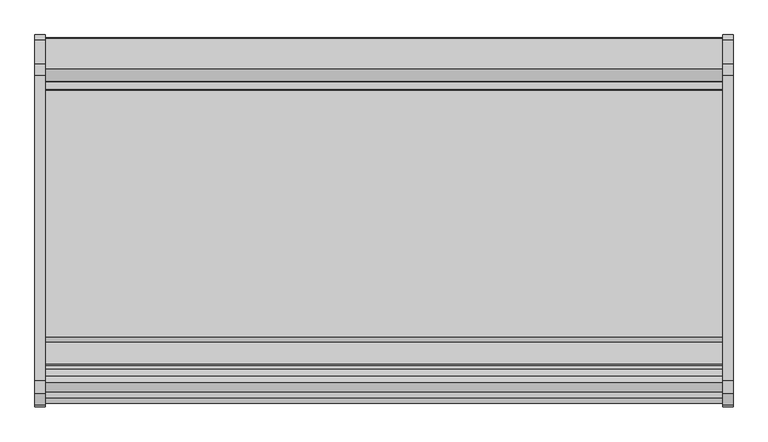
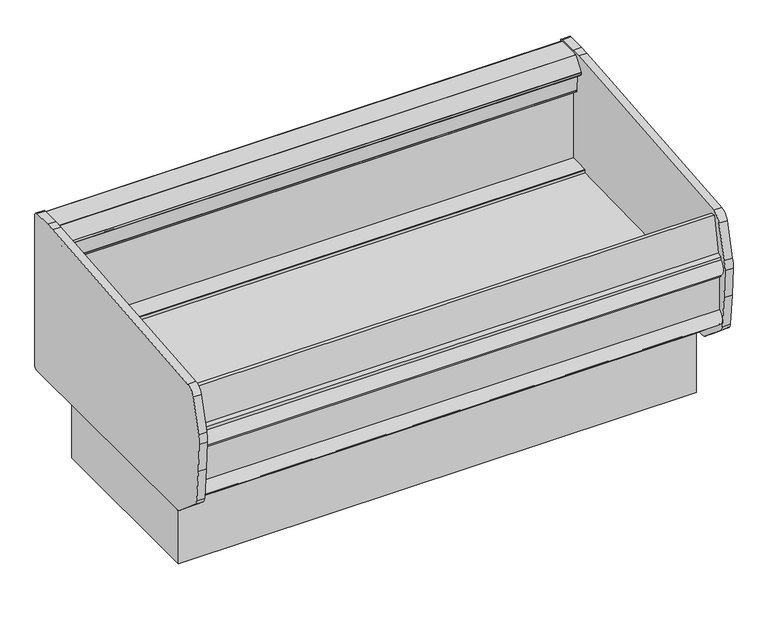
"""IFC4 building model written with IfcOpenShell, lengths in millimetres: proxy geometry."""

from ifc_helpers import new_model, si_unit, point, frame, frame_2d, origin, origin_with_axes, place, context, project, spatial, polyline, circle_curve, trimmed, segment, composite_curve, outline, extrude, source, transform, mapped, element, save
from ifc_brep_helpers import plane_surface, revolved_surface, advanced_brep


def mechanical_equipment_0aefcf82(model_context):
    return source(origin(), model_context, "Body", "SolidModel", [
        extrude(outline(composite_curve([segment(trimmed(circle_curve(frame_2d((1219.2, -1463.6394819)), 38.1), [point((1181.1, -1463.6394819))], [point((1257.3, -1463.6394819))], False, "CARTESIAN"), True, "CONTINUOUS"), segment(trimmed(circle_curve(frame_2d((1219.2, -1463.6394819)), 38.1), [point((1257.3, -1463.6394819))], [point((1181.1, -1463.6394819))], False, "CARTESIAN"), True, "CONTINUOUS")], self_intersect=False)), origin_with_axes(), (0.0, 0.0, 1.0), 101.6),
        extrude(outline(polyline([(67.5523612, -1215.2909077), (303.3625867, -1215.2909077), (303.3625867, -1515.2505291), (67.5523612, -1515.2505291), (67.5523612, -1215.2909077)])), frame((0.0, 0.0, 85.9624321), z_axis=(0.0, 0.0, 1.0), x_axis=(1.0, 0.0, 0.0)), (0.0, 0.0, 1.0), 15.6375679),
        advanced_brep(
        [(2438.4, -699.9589272, 330.2), (2438.4, -1569.9089272, 330.2), (2438.4, -1569.9089272, 0.0), (2438.4, -699.9589272, 0.0), (0.0, -699.9589272, 330.2), (0.0, -699.9589272, 0.0), (0.0, -1569.9089272, 0.0), (0.0, -1569.9089272, 330.2), (303.3625867, -1515.2505291, 0.0), (303.3625867, -1215.2909077, 0.0), (67.5523612, -1215.2909077, 0.0), (67.5523612, -1515.2505291, 0.0), (1168.4, -1463.6394819, 0.0), (1270.0, -1463.6394819, 0.0), (303.3625867, -1515.2505291, 101.6), (67.5523612, -1515.2505291, 101.6), (67.5523612, -1215.2909077, 101.6), (303.3625867, -1215.2909077, 101.6), (1168.4, -1463.6394819, 101.6), (1270.0, -1463.6394819, 101.6)],
        [
            (0, 1),
            (1, 2),
            (2, 3),
            (3, 0),
            (4, 5),
            (5, 6),
            (6, 7),
            (7, 4),
            (0, 4),
            (7, 1),
            (6, 2),
            (5, 3),
            (8, 9),
            (9, 10),
            (10, 11),
            (11, 8),
            (12, 13, circle_curve(frame((1219.2, -1463.6394819, 0.0), z_axis=(0.0, 0.0, 1.0), x_axis=(1.0, 0.0, 0.0)), 50.8)),
            (13, 12, circle_curve(frame((1219.2, -1463.6394819, 0.0), z_axis=(0.0, 0.0, 1.0), x_axis=(1.0, 0.0, 0.0)), 50.8)),
            (14, 15),
            (15, 16),
            (16, 17),
            (17, 14),
            (17, 9),
            (8, 14),
            (16, 10),
            (15, 11),
            (18, 19, circle_curve(frame((1219.2, -1463.6394819, 101.6), z_axis=(0.0, 0.0, -1.0), x_axis=(1.0, 0.0, 0.0)), 50.8)),
            (19, 18, circle_curve(frame((1219.2, -1463.6394819, 101.6), z_axis=(0.0, 0.0, -1.0), x_axis=(1.0, 0.0, 0.0)), 50.8)),
            (19, 13),
            (12, 18),
        ],
        [
            plane_surface(frame((2438.4, -699.9589272, 330.2), z_axis=(1.0, 0.0, 0.0), x_axis=(0.0, -1.0, 0.0))),
            plane_surface(frame((0.0, -699.9589272, 330.2), z_axis=(-1.0, 0.0, 0.0), x_axis=(0.0, 1.0, 0.0))),
            plane_surface(frame((2438.4, -699.9589272, 330.2), z_axis=(0.0, 0.0, 1.0), x_axis=(-1.0, 0.0, 0.0))),
            plane_surface(frame((2438.4, -1569.9089272, 330.2), z_axis=(0.0, -1.0, 0.0), x_axis=(-1.0, 0.0, 0.0))),
            plane_surface(frame((2438.4, -1569.9089272, 0.0), z_axis=(0.0, 0.0, -1.0), x_axis=(-1.0, 0.0, 0.0))),
            plane_surface(frame((2438.4, -699.9589272, 0.0), z_axis=(0.0, 1.0, 0.0), x_axis=(-1.0, 0.0, 0.0))),
            plane_surface(frame((303.3625867, -1493.7089272, 101.6), z_axis=(0.0, 0.0, -1.0), x_axis=(0.0, 1.0, 0.0))),
            plane_surface(frame((303.3625867, -1515.2505291, 101.6), z_axis=(-1.0, 0.0, 0.0), x_axis=(0.0, 0.0, -1.0))),
            plane_surface(frame((303.3625867, -1215.2909077, 101.6), z_axis=(0.0, -1.0, 0.0), x_axis=(0.0, 0.0, -1.0))),
            plane_surface(frame((67.5523612, -1215.2909077, 101.6), z_axis=(1.0, 0.0, 0.0), x_axis=(0.0, 0.0, -1.0))),
            plane_surface(frame((67.5523612, -1515.2505291, 101.6), z_axis=(0.0, 1.0, 0.0), x_axis=(0.0, 0.0, -1.0))),
            plane_surface(frame((1270.0, -1463.6394819, 101.6), z_axis=(0.0, 0.0, -1.0), x_axis=(0.0, 1.0, 0.0))),
            revolved_surface(polyline([(1270.0, -1463.6394819, 101.6), (1270.0, -1463.6394819, 0.0)]), (1219.2, -1463.6394819, 0.0), (0.0, 0.0, 1.0)),
        ],
        [
            (0, [[1, 2, 3, 4]]),
            (1, [[5, 6, 7, 8]]),
            (2, [[-1, 9, -8, 10]]),
            (3, [[-2, -10, -7, 11]]),
            (4, [[-3, -11, -6, 12], [13, 14, 15, 16], [17, 18]]),
            (5, [[-4, -12, -5, -9]]),
            (6, [[19, 20, 21, 22]]),
            (7, [[-22, 23, -13, 24]]),
            (8, [[-21, 25, -14, -23]]),
            (9, [[-20, 26, -15, -25]]),
            (10, [[-19, -24, -16, -26]]),
            (11, [[27, 28]]),
            (12, [[-28, 29, -17, 30]]),
            (12, [[-27, -30, -18, -29]]),
        ],
    ),
        extrude(outline(composite_curve([segment(polyline([(-663.0188916, 561.5495574), (-570.0633266, 563.2962557), (-570.0633266, 546.9302103), (-664.4941765, 544.9832634), (-664.5142583, 560.0237916)]), True, "CONTINUOUS"), segment(trimmed(circle_curve(frame_2d((-662.9902597, 560.0258264)), 1.524), [point((-664.5142583, 560.0237916))], [point((-663.0188916, 561.5495574))], False, "CARTESIAN"), True, "CONTINUOUS")], self_intersect=False)), frame((0.0, 0.0, 0.0), z_axis=(1.0, 0.0, 0.0), x_axis=(0.0, 1.0, 0.0)), (0.0, 0.0, 1.0), 2438.4),
        extrude(outline(polyline([(2438.4, -530.4901272), (2438.4, -570.0633266), (0.0, -570.0633266), (0.0, -530.4901272), (2438.4, -530.4901272)])), frame((0.0, 0.0, 550.5962557), z_axis=(0.0, 0.0, 1.0), x_axis=(1.0, 0.0, 0.0)), (0.0, 0.0, 1.0), 360.3453878),
        extrude(outline(polyline([(-1755.6971192, 788.7565355), (-1757.3739296, 789.1697583), (-1761.7535813, 789.1697583), (-1761.7535813, 701.4205261), (-1773.1366183, 701.4205261), (-1773.1366183, 799.1683393), (-1752.4268741, 805.9080494), (-1755.6971192, 788.7565355)])), frame((0.0, 0.0, 0.0), z_axis=(1.0, 0.0, 0.0), x_axis=(0.0, 1.0, 0.0)), (0.0, 0.0, 1.0), 2438.4),
        extrude(outline(polyline([(-1730.3352485, 789.1818039), (-1711.4960952, 779.9200178), (-1711.4960952, 751.1873944), (-1761.7535813, 751.1873944), (-1761.7535813, 789.1697583), (-1757.3739296, 789.1697583), (-1731.5147439, 782.7971787), (-1730.3352485, 789.1818039)])), frame((0.0, 0.0, 0.0), z_axis=(1.0, 0.0, 0.0), x_axis=(0.0, 1.0, 0.0)), (0.0, 0.0, 1.0), 2438.4),
        extrude(outline(polyline([(2438.4, -1659.0883266), (2438.4, -1669.1883265), (0.0, -1669.1883265), (0.0, -1659.0883266), (2438.4, -1659.0883266)])), frame((0.0, 0.0, 751.1873944), z_axis=(0.0, 0.0, 1.0), x_axis=(1.0, 0.0, 0.0)), (0.0, 0.0, 1.0), 127.9354516),
        extrude(outline(composite_curve([segment(trimmed(circle_curve(frame_2d((-1746.1558191, 746.125)), 47.09326), [point((-1773.1366183, 707.5269222))], [point((-1773.1366183, 784.7230778))], False, "CARTESIAN"), True, "CONTINUOUS"), segment(polyline([(-1773.1366183, 784.7230778), (-1773.1366183, 707.5269222)]), True, "CONTINUOUS")], self_intersect=False)), frame((0.0, 0.0, 0.0), z_axis=(1.0, 0.0, 0.0), x_axis=(0.0, 1.0, 0.0)), (0.0, 0.0, 1.0), 2438.4),
        extrude(outline(polyline([(0.0, -25.4000001), (0.0, 0.0), (2438.4, 0.0), (2438.4, -25.4000001), (0.0, -25.4000001)])), frame((2438.4, -595.868408, 908.6773245), z_axis=(0.0, -0.08848576079298218, 0.9960774418371733), x_axis=(-1.0, 0.0, 0.0)), (0.0, 0.0, 1.0), 101.6),
        extrude(outline(composite_curve([segment(polyline([(-475.7277272, 987.425), (-476.5532272, 987.425), (-476.5532272, 885.0884), (-478.9535272, 885.0884), (-478.9535272, 845.395723), (-479.6647272, 843.8705497), (-479.6647272, 822.6520425), (-480.8839272, 822.6520425), (-480.8839272, 993.0955497), (-530.4901272, 993.0955497), (-530.4901272, 910.9416436), (-570.0633266, 910.9416436), (-572.0841353, 910.050681), (-595.8032294, 907.9436139)]), True, "CONTINUOUS"), segment(trimmed(circle_curve(frame_2d((-595.9380817, 909.4616359)), 1.524), [point((-595.8032294, 907.9436139))], [point((-597.4561037, 909.3267836))], False, "CARTESIAN"), True, "CONTINUOUS"), segment(polyline([(-597.4561037, 909.3267836), (-598.1640782, 917.2963992), (-596.6460562, 917.4312515), (-595.868408, 908.6773245), (-570.5680409, 910.9248628), (-579.5581942, 1012.1263309), (-604.8585613, 1009.8787926), (-604.9934145, 1001.1986899), (-615.7636253, 1007.9286645), (-617.1081134, 1005.8182411), (-609.0503424, 1000.6848748)]), True, "CONTINUOUS"), segment(trimmed(circle_curve(frame_2d((-609.4836476, 1000.0047218)), 0.80645), [point((-609.0503424, 1000.6848748))], [point((-609.9169529, 999.3245687))], False, "CARTESIAN"), True, "CONTINUOUS"), segment(polyline([(-609.9169529, 999.3245687), (-633.3117081, 1014.2286715)]), True, "CONTINUOUS"), segment(trimmed(circle_curve(frame_2d((-632.4928635, 1015.5140001)), 1.524), [point((-633.3117081, 1014.2286715))], [point((-634.0168635, 1015.5140001))], False, "CARTESIAN"), True, "CONTINUOUS"), segment(polyline([(-634.0168635, 1015.5140001), (-634.0168635, 1026.8827274)]), True, "CONTINUOUS"), segment(trimmed(circle_curve(frame_2d((-632.4928635, 1026.8827274)), 1.524), [point((-634.0168635, 1026.8827274))], [point((-633.7258054, 1027.7785121))], False, "CARTESIAN"), True, "CONTINUOUS"), segment(polyline([(-633.7258054, 1027.7785121), (-589.6840524, 1088.3967847)]), True, "CONTINUOUS"), segment(trimmed(circle_curve(frame_2d((-588.4511105, 1087.501)), 1.524), [point((-589.6840524, 1088.3967847))], [point((-588.4511105, 1089.025))], False, "CARTESIAN"), True, "CONTINUOUS"), segment(polyline([(-588.4511105, 1089.025), (-477.2517272, 1089.025)]), True, "CONTINUOUS"), segment(trimmed(circle_curve(frame_2d((-477.2517272, 1087.501)), 1.524), [point((-477.2517272, 1089.025))], [point((-475.7277272, 1087.501))], False, "CARTESIAN"), True, "CONTINUOUS"), segment(polyline([(-475.7277272, 1087.501), (-475.7277272, 987.425)]), True, "CONTINUOUS")], self_intersect=False)), frame((0.0, 0.0, 0.0), z_axis=(1.0, 0.0, 0.0), x_axis=(0.0, 1.0, 0.0)), (0.0, 0.0, 1.0), 2438.4),
        extrude(outline(polyline([(-1696.932179, 969.9930987), (-1731.5147439, 782.7971787), (-1755.6971192, 788.7565355), (-1720.2320823, 974.7606578), (-1696.932179, 969.9930987)])), frame((0.0, 0.0, 0.0), z_axis=(1.0, 0.0, 0.0), x_axis=(0.0, 1.0, 0.0)), (0.0, 0.0, 1.0), 2438.4),
        extrude(outline(composite_curve([segment(polyline([(-1761.7535813, 528.6191944), (-1761.7535813, 455.7577585)]), True, "CONTINUOUS"), segment(trimmed(circle_curve(frame_2d((-1744.2401439, 492.1884764)), 40.4217479), [point((-1761.7535813, 455.7577585))], [point((-1761.7535813, 528.6191944))], False, "CARTESIAN"), True, "CONTINUOUS")], self_intersect=False)), frame((0.0, 0.0, 0.0), z_axis=(1.0, 0.0, 0.0), x_axis=(0.0, 1.0, 0.0)), (0.0, 0.0, 1.0), 2438.4),
        extrude(outline(composite_curve([segment(polyline([(-570.0633266, 546.9302103), (-570.0633266, 550.5962557), (-530.5071043, 550.5962557)]), True, "CONTINUOUS"), segment(trimmed(circle_curve(frame_2d((-676.4639272, 555.8124162)), 146.05), [point((-530.5071043, 550.5962557))], [point((-672.9869407, 409.80381))], False, "CARTESIAN"), True, "CONTINUOUS"), segment(polyline([(-672.9869407, 409.80381), (-1540.1567105, 389.1534)]), True, "CONTINUOUS"), segment(trimmed(circle_curve(frame_2d((-1559.3933272, 540.3344589)), 152.4), [point((-1540.1567105, 389.1534))], [point((-1711.4481362, 530.0828698))], False, "CARTESIAN"), True, "CONTINUOUS"), segment(polyline([(-1711.4481362, 530.0828698), (-1711.4481362, 591.85048), (-1711.4960952, 751.1873944), (-1669.1883265, 751.1873944), (-1669.1883265, 529.7199448), (-1652.7281119, 480.0778674), (-1572.2963737, 480.0778674), (-1553.8455576, 510.3420285), (-1553.8455576, 526.6468839), (-570.0633266, 546.9302103)]), True, "CONTINUOUS")], self_intersect=False)), frame((0.0, 0.0, 0.0), z_axis=(1.0, 0.0, 0.0), x_axis=(0.0, 1.0, 0.0)), (0.0, 0.0, 1.0), 2438.4),
        extrude(outline(composite_curve([segment(polyline([(-480.8839272, 993.0955497), (-480.8839272, 330.2), (-1611.6512872, 330.2)]), True, "CONTINUOUS"), segment(trimmed(circle_curve(frame_2d((-1611.6512872, 331.4446)), 1.2446), [point((-1611.6512872, 330.2))], [point((-1612.4490661, 330.4893105))], False, "CARTESIAN"), True, "CONTINUOUS"), segment(polyline([(-1612.4490661, 330.4893105), (-1761.3004651, 456.1056578)]), True, "CONTINUOUS"), segment(trimmed(circle_curve(frame_2d((-1760.4967635, 457.0719159)), 1.2568179), [point((-1761.3004651, 456.1056578))], [point((-1761.7535813, 457.0719159))], False, "CARTESIAN"), True, "CONTINUOUS"), segment(polyline([(-1761.7535813, 457.0719159), (-1761.7535813, 751.1873944), (-1711.4960952, 751.1873944), (-1711.4481362, 591.85048), (-1711.4481362, 530.0828698)]), True, "CONTINUOUS"), segment(trimmed(circle_curve(frame_2d((-1559.3933272, 540.3344589)), 152.4), [point((-1711.4481362, 530.0828698))], [point((-1540.1567105, 389.1534))], True, "CARTESIAN"), True, "CONTINUOUS"), segment(polyline([(-1540.1567105, 389.1534), (-672.9869407, 409.80381)]), True, "CONTINUOUS"), segment(trimmed(circle_curve(frame_2d((-676.4639272, 555.8124162)), 146.05), [point((-672.9869407, 409.80381))], [point((-530.4901272, 551.095191))], True, "CARTESIAN"), True, "CONTINUOUS"), segment(polyline([(-530.4901272, 551.095191), (-530.4901272, 993.0955497), (-480.8839272, 993.0955497)]), True, "CONTINUOUS")], self_intersect=False)), frame((0.0, 0.0, 0.0), z_axis=(1.0, 0.0, 0.0), x_axis=(0.0, 1.0, 0.0)), (0.0, 0.0, 1.0), 2438.4),
        extrude(outline(composite_curve([segment(polyline([(-1712.6723356, 994.5079716), (-610.8699812, 1096.7215174)]), True, "CONTINUOUS"), segment(trimmed(circle_curve(frame_2d((-568.2351252, 637.1426589)), 461.5522269), [point((-610.8699812, 1096.7215174))], [point((-568.2351252, 1098.6948858))], False, "CARTESIAN"), True, "CONTINUOUS"), segment(polyline([(-568.2351252, 1098.6948858), (-482.0580807, 1098.6948858)]), True, "CONTINUOUS"), segment(trimmed(circle_curve(frame_2d((-482.0580807, 1081.7560842)), 16.9388016), [point((-482.0580807, 1098.6948858))], [point((-465.1192791, 1081.7560842))], False, "CARTESIAN"), True, "CONTINUOUS"), segment(polyline([(-465.1192791, 1081.7560842), (-465.1192791, 330.347135)]), True, "CONTINUOUS"), segment(trimmed(circle_curve(frame_2d((-477.8192791, 330.347135)), 12.7), [point((-465.1192791, 330.347135))], [point((-477.8192791, 317.647135))], False, "CARTESIAN"), True, "CONTINUOUS"), segment(polyline([(-477.8192791, 317.647135), (-1621.6424876, 317.647135)]), True, "CONTINUOUS"), segment(trimmed(circle_curve(frame_2d((-1621.6424876, 355.747135)), 38.1), [point((-1621.6424876, 317.647135))], [point((-1646.0966059, 326.5305969))], False, "CARTESIAN"), True, "CONTINUOUS"), segment(polyline([(-1646.0966059, 326.5305969), (-1770.7013311, 430.8242225)]), True, "CONTINUOUS"), segment(trimmed(circle_curve(frame_2d((-1746.2472128, 460.0407606)), 38.1), [point((-1770.7013311, 430.8242225))], [point((-1784.1772098, 456.4455794))], False, "CARTESIAN"), True, "CONTINUOUS"), segment(polyline([(-1784.1772098, 456.4455794), (-1798.8588497, 611.340293), (-1806.0556686, 750.1888926)]), True, "CONTINUOUS"), segment(trimmed(circle_curve(frame_2d((-1660.201461, 757.7488271)), 146.05), [point((-1806.0556686, 750.1888926))], [point((-1801.0662666, 796.3196583))], False, "CARTESIAN"), True, "CONTINUOUS"), segment(polyline([(-1801.0662666, 796.3196583), (-1756.9762532, 957.3411085)]), True, "CONTINUOUS"), segment(trimmed(circle_curve(frame_2d((-1707.979799, 943.9251672)), 50.8), [point((-1756.9762532, 957.3411085))], [point((-1712.6723356, 994.5079716))], False, "CARTESIAN"), True, "CONTINUOUS")], self_intersect=False)), frame((-38.1, 0.0, 0.0), z_axis=(1.0, 0.0, 0.0), x_axis=(0.0, 1.0, 0.0)), (0.0, 0.0, 1.0), 38.1),
        extrude(outline(composite_curve([segment(polyline([(-1712.6723356, 994.5079716), (-610.8699812, 1096.7215174)]), True, "CONTINUOUS"), segment(trimmed(circle_curve(frame_2d((-568.2351252, 637.1426589)), 461.5522269), [point((-610.8699812, 1096.7215174))], [point((-568.2351252, 1098.6948858))], False, "CARTESIAN"), True, "CONTINUOUS"), segment(polyline([(-568.2351252, 1098.6948858), (-482.0580807, 1098.6948858)]), True, "CONTINUOUS"), segment(trimmed(circle_curve(frame_2d((-482.0580807, 1081.7560842)), 16.9388016), [point((-482.0580807, 1098.6948858))], [point((-465.1192791, 1081.7560842))], False, "CARTESIAN"), True, "CONTINUOUS"), segment(polyline([(-465.1192791, 1081.7560842), (-465.1192791, 330.347135)]), True, "CONTINUOUS"), segment(trimmed(circle_curve(frame_2d((-477.8192791, 330.347135)), 12.7), [point((-465.1192791, 330.347135))], [point((-477.8192791, 317.647135))], False, "CARTESIAN"), True, "CONTINUOUS"), segment(polyline([(-477.8192791, 317.647135), (-1621.6424876, 317.647135)]), True, "CONTINUOUS"), segment(trimmed(circle_curve(frame_2d((-1621.6424876, 355.747135)), 38.1), [point((-1621.6424876, 317.647135))], [point((-1646.0966059, 326.5305969))], False, "CARTESIAN"), True, "CONTINUOUS"), segment(polyline([(-1646.0966059, 326.5305969), (-1770.7013311, 430.8242225)]), True, "CONTINUOUS"), segment(trimmed(circle_curve(frame_2d((-1746.2472128, 460.0407606)), 38.1), [point((-1770.7013311, 430.8242225))], [point((-1784.1772098, 456.4455794))], False, "CARTESIAN"), True, "CONTINUOUS"), segment(polyline([(-1784.1772098, 456.4455794), (-1798.8588497, 611.340293), (-1806.0556686, 750.1888926)]), True, "CONTINUOUS"), segment(trimmed(circle_curve(frame_2d((-1660.201461, 757.7488271)), 146.05), [point((-1806.0556686, 750.1888926))], [point((-1801.0662666, 796.3196583))], False, "CARTESIAN"), True, "CONTINUOUS"), segment(polyline([(-1801.0662666, 796.3196583), (-1756.9762532, 957.3411085)]), True, "CONTINUOUS"), segment(trimmed(circle_curve(frame_2d((-1707.979799, 943.9251672)), 50.8), [point((-1756.9762532, 957.3411085))], [point((-1712.6723356, 994.5079716))], False, "CARTESIAN"), True, "CONTINUOUS")], self_intersect=False)), frame((2438.4, 0.0, 0.0), z_axis=(1.0, 0.0, 0.0), x_axis=(0.0, 1.0, 0.0)), (0.0, 0.0, 1.0), 38.1),
    ])


if __name__ == "__main__":
    model = new_model("IFC4")
    model_context = context("Model", 3, world=origin())
    ifc_project = project(units=[si_unit("LENGTHUNIT", "METRE", prefix="MILLI")], contexts=[model_context])
    site = spatial("IfcSite", under=ifc_project)
    building = spatial("IfcBuilding", under=site)
    placement = place(None, origin())
    mechanical_equipment_shape = mechanical_equipment_0aefcf82(model_context)
    element("IfcBuildingElementProxy", 1, Name="Mechanical Equipment", at=placement, inside=building, context=model_context, shape_type="MappedRepresentation", body=[
        mapped(mechanical_equipment_shape, transform((0.0, 0.0, 0.0), x_axis=(1.0, 0.0, 0.0), y_axis=(0.0, 1.0, 0.0), z_axis=(0.0, 0.0, 1.0))),
    ])
    save(model, "model.ifc")
